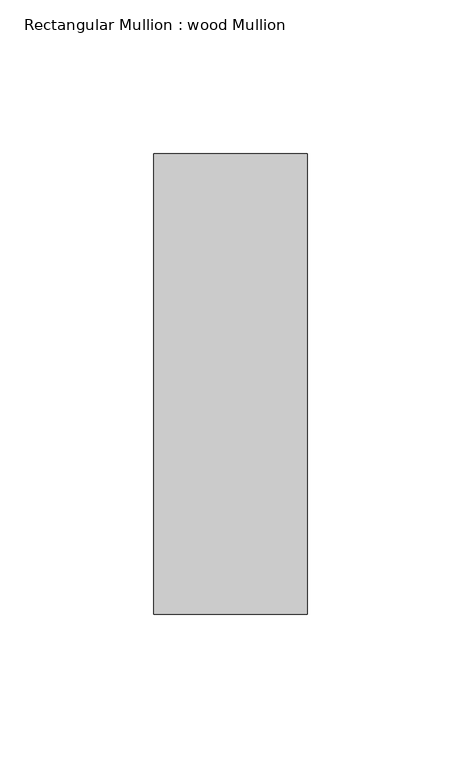
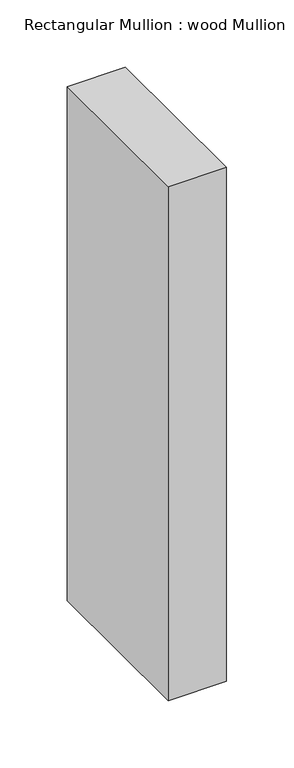
"""IFC4 building model written with IfcOpenShell, lengths in millimetres: member geometry, Rectangular Mullion : wood Mullion."""

from ifc_helpers import new_model, si_unit, frame, origin, place, context, project, spatial, polyline, outline, extrude, source, transform, mapped, element, save


def rectangular_mullion_wood_mullion_3654a603(model_context):
    return source(origin(), model_context, "Body", "SweptSolid", [
        extrude(outline(polyline([(0.0, 75.0), (0.0, -75.0), (-50.0, -75.0), (-50.0, 75.0), (0.0, 75.0)])), frame((0.0, 0.0, -466.5225158), z_axis=(0.0, 0.0, 1.0), x_axis=(1.0, 0.0, 0.0)), (0.0, 0.0, 1.0), 466.5225158),
    ])


if __name__ == "__main__":
    model = new_model("IFC4")
    model_context = context("Model", 3, world=origin())
    ifc_project = project(units=[si_unit("LENGTHUNIT", "METRE", prefix="MILLI")], contexts=[model_context])
    site = spatial("IfcSite", under=ifc_project)
    building = spatial("IfcBuilding", under=site)
    placement = place(None, origin())
    rectangular_mullion_wood_mullion_shape = rectangular_mullion_wood_mullion_3654a603(model_context)
    element("IfcMember", 1, ObjectType="Rectangular Mullion : wood Mullion", at=placement, inside=building, context=model_context, shape_type="MappedRepresentation", body=[
        mapped(rectangular_mullion_wood_mullion_shape, transform((0.0, 0.0, 0.0), x_axis=(1.0, 0.0, 0.0), y_axis=(0.0, 1.0, 0.0), z_axis=(0.0, 0.0, 1.0))),
    ])
    save(model, "model.ifc")
